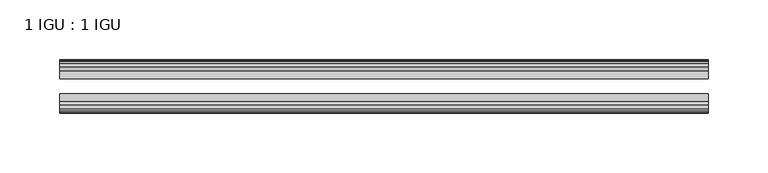
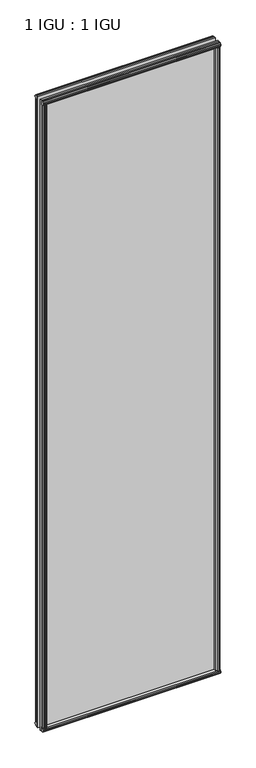
"""IFC4 building model written with IfcOpenShell, lengths in millimetres: plate geometry, 1 IGU : 1 IGU."""

from ifc_helpers import new_model, si_unit, frame, origin, origin_with_axes, place, context, project, spatial, polyline, outline, extrude, source, transform, mapped, element, save


def plate_1_igu_1_igu_e26cbc8b(model_context):
    return source(origin(), model_context, "Body", "SweptSolid", [
        extrude(outline(polyline([(258.3688915, -19.5460937), (260.4741686, -13.1960937), (265.681363, -13.1960937), (266.062363, -10.8158968), (264.646834, -11.27583), (264.646834, -10.4746158), (266.824363, -9.7670937), (269.0018921, -10.4746158), (269.0018921, -11.27583), (267.586363, -10.8158968), (267.967363, -13.1960937), (272.412363, -13.1960937), (272.412363, -16.1419073), (270.1992855, -19.5460937), (258.3688915, -19.5460937)])), origin_with_axes(), (0.0, 0.0, 1.0), 2019.3),
        extrude(outline(polyline([(-258.3688915, -19.5460937), (-270.1992855, -19.5460937), (-272.412363, -16.1419073), (-272.412363, -13.1960937), (-267.967363, -13.1960937), (-267.586363, -10.8158968), (-269.0018921, -11.27583), (-269.0018921, -10.4746158), (-266.824363, -9.7670937), (-264.646834, -10.4746158), (-264.646834, -11.27583), (-266.062363, -10.8158968), (-265.681363, -13.1960937), (-260.4741686, -13.1960937), (-258.3688915, -19.5460937)])), origin_with_axes(), (0.0, 0.0, 1.0), 2019.3),
        extrude(outline(polyline([(-16.1419073, -12.4576852), (-19.5460937, -10.2446077), (-19.5460937, 1.5857863), (-13.1960937, -0.5194908), (-13.1960937, -5.7266852), (-10.8158968, -6.1076852), (-11.27583, -4.6921562), (-10.4746158, -4.6921562), (-9.7670937, -6.8696852), (-10.4746158, -9.0472143), (-11.27583, -9.0472143), (-10.8158968, -7.6316852), (-13.1960937, -8.0126852), (-13.1960937, -12.4576852), (-16.1419073, -12.4576852)])), frame((-272.6546778, 0.0, 0.0), z_axis=(1.0, 0.0, 0.0), x_axis=(0.0, 1.0, 0.0)), (0.0, 0.0, 1.0), 545.3093556),
        extrude(outline(polyline([(-48.3502802, -11.938), (-51.2960937, -11.938), (-51.2960937, -7.493), (-53.6762907, -7.112), (-53.2163575, -8.5275291), (-54.0175717, -8.5275291), (-54.7250937, -6.35), (-54.0175717, -4.172471), (-53.2163575, -4.172471), (-53.6762907, -5.588), (-51.2960937, -5.207), (-51.2960937, 0.0001944), (-44.9460937, 2.1054715), (-44.9460937, -9.7249225), (-48.3502802, -11.938)])), frame((-272.6546778, 0.0, 0.0), z_axis=(1.0, 0.0, 0.0), x_axis=(0.0, 1.0, 0.0)), (0.0, 0.0, 1.0), 545.3093556),
        extrude(outline(polyline([(-16.1028367, 2031.7576852), (-13.1960937, 2031.7576852), (-13.1960937, 2027.3126852), (-10.8158968, 2026.9316852), (-11.27583, 2028.3472143), (-10.4746158, 2028.3472143), (-9.7670937, 2026.1696852), (-10.4746158, 2023.9921562), (-11.27583, 2023.9921562), (-10.8158968, 2025.4076852), (-13.1960937, 2025.0266852), (-13.1960937, 2019.7940908), (-19.5460937, 2017.6888137), (-19.5460937, 2029.5192077), (-16.1028367, 2031.7576852)])), frame((-272.6546778, 0.0, 0.0), z_axis=(1.0, 0.0, 0.0), x_axis=(0.0, 1.0, 0.0)), (0.0, 0.0, 1.0), 545.3093556),
        extrude(outline(polyline([(-48.3893508, 2031.2126), (-44.9460937, 2028.9741225), (-44.9460937, 2017.1437285), (-51.2960937, 2019.2490056), (-51.2960937, 2024.4816), (-53.6762907, 2024.8626), (-53.2163575, 2023.447071), (-54.0175717, 2023.447071), (-54.7250938, 2025.6246), (-54.0175717, 2027.8021291), (-53.2163575, 2027.8021291), (-53.6762907, 2026.3866), (-51.2960937, 2026.7676), (-51.2960937, 2031.2126), (-48.3893508, 2031.2126)])), frame((-272.6546778, 0.0, 0.0), z_axis=(1.0, 0.0, 0.0), x_axis=(0.0, 1.0, 0.0)), (0.0, 0.0, 1.0), 545.3093556),
        extrude(outline(polyline([(-257.8492063, -44.9460938), (-259.9544834, -51.2960938), (-265.1616778, -51.2960938), (-265.5426778, -53.6762907), (-264.1271487, -53.2163575), (-264.1271487, -54.0175717), (-266.3046778, -54.7250938), (-268.4822068, -54.0175717), (-268.4822068, -53.2163575), (-267.0666778, -53.6762907), (-267.4476778, -51.2960938), (-271.8926778, -51.2960938), (-271.8926778, -48.3502802), (-269.6796003, -44.9460938), (-257.8492063, -44.9460938)])), origin_with_axes(), (0.0, 0.0, 1.0), 2019.3),
        extrude(outline(polyline([(257.8492063, -44.9460938), (269.6796003, -44.9460938), (271.8926778, -48.3502802), (271.8926778, -51.2960938), (267.4476778, -51.2960938), (267.0666778, -53.6762907), (268.4822068, -53.2163575), (268.4822068, -54.0175717), (266.3046778, -54.7250938), (264.1271487, -54.0175717), (264.1271487, -53.2163575), (265.5426778, -53.6762907), (265.1616778, -51.2960938), (259.9544834, -51.2960938), (257.8492063, -44.9460938)])), origin_with_axes(), (0.0, 0.0, 1.0), 2019.3),
        extrude(outline(polyline([(272.6546778, -19.5460937), (272.6546778, -25.8337453), (-272.6546778, -25.8337453), (-272.6546778, -19.5460937), (272.6546778, -19.5460937)])), frame((0.0, 0.0, -12.7), z_axis=(0.0, 0.0, 1.0), x_axis=(1.0, 0.0, 0.0)), (0.0, 0.0, 1.0), 2044.6872998),
        extrude(outline(polyline([(-272.6546778, -44.9460937), (-272.6546778, -38.6468938), (272.6546778, -38.6468938), (272.6546778, -44.9460937), (-272.6546778, -44.9460937)])), frame((0.0, 0.0, -12.7), z_axis=(0.0, 0.0, 1.0), x_axis=(1.0, 0.0, 0.0)), (0.0, 0.0, 1.0), 2044.6872998),
    ])


if __name__ == "__main__":
    model = new_model("IFC4")
    model_context = context("Model", 3, world=origin())
    ifc_project = project(units=[si_unit("LENGTHUNIT", "METRE", prefix="MILLI")], contexts=[model_context])
    site = spatial("IfcSite", under=ifc_project)
    building = spatial("IfcBuilding", under=site)
    placement = place(None, origin())
    plate_1_igu_1_igu_shape = plate_1_igu_1_igu_e26cbc8b(model_context)
    element("IfcPlate", 1, ObjectType="1 IGU : 1 IGU", at=placement, inside=building, context=model_context, shape_type="MappedRepresentation", body=[
        mapped(plate_1_igu_1_igu_shape, transform((0.0, 0.0, 0.0), x_axis=(1.0, 0.0, 0.0), y_axis=(0.0, 1.0, 0.0), z_axis=(0.0, 0.0, 1.0))),
    ])
    save(model, "model.ifc")
